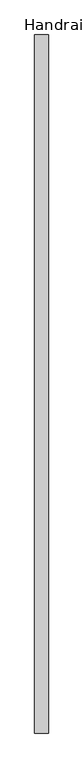
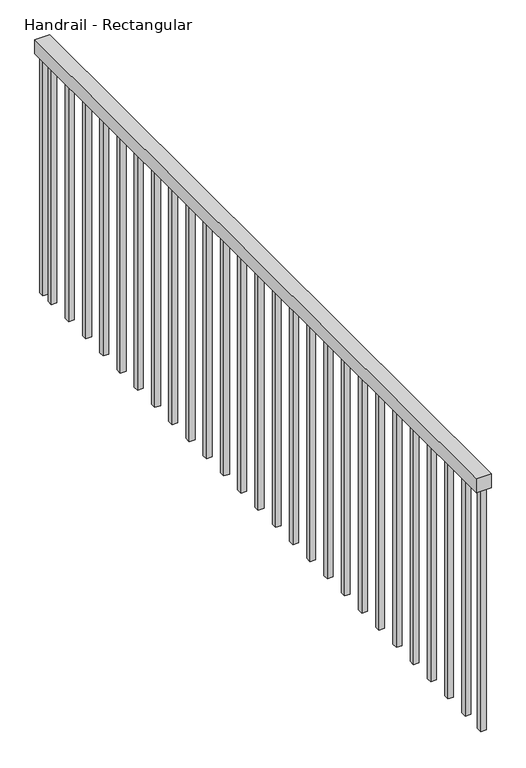
"""IFC4 building model written with IfcOpenShell, lengths in millimetres: railing geometry, Handrail - Rectangular."""

from ifc_helpers import new_model, si_unit, frame, origin, place, context, project, spatial, polyline, outline, extrude, source, transform, mapped, element, save


def handrail_rectangular_e736973f(model_context):
    return source(origin(), model_context, "Body", "SweptSolid", [
        extrude(outline(polyline([(68099.923353, 1906.657897), (68049.123353, 1906.657897), (68049.123353, 4506.657897), (68099.923353, 4506.657897), (68099.923353, 1906.657897)])), frame((0.0, 0.0, 3903.6), z_axis=(0.0, 0.0, 1.0), x_axis=(1.0, 0.0, 0.0)), (0.0, 0.0, 1.0), 50.8),
        extrude(outline(polyline([(68084.048353, 4437.132897), (68064.998353, 4437.132897), (68064.998353, 4456.182897), (68084.048353, 4456.182897), (68084.048353, 4437.132897)])), frame((0.0, 0.0, 3040.0), z_axis=(0.0, 0.0, 1.0), x_axis=(1.0, 0.0, 0.0)), (0.0, 0.0, 1.0), 863.6),
        extrude(outline(polyline([(68084.048353, 4335.532897), (68064.998353, 4335.532897), (68064.998353, 4354.582897), (68084.048353, 4354.582897), (68084.048353, 4335.532897)])), frame((0.0, 0.0, 3040.0), z_axis=(0.0, 0.0, 1.0), x_axis=(1.0, 0.0, 0.0)), (0.0, 0.0, 1.0), 863.6),
        extrude(outline(polyline([(68084.048353, 4233.932897), (68064.998353, 4233.932897), (68064.998353, 4252.982897), (68084.048353, 4252.982897), (68084.048353, 4233.932897)])), frame((0.0, 0.0, 3040.0), z_axis=(0.0, 0.0, 1.0), x_axis=(1.0, 0.0, 0.0)), (0.0, 0.0, 1.0), 863.6),
        extrude(outline(polyline([(68084.048353, 4132.332897), (68064.998353, 4132.332897), (68064.998353, 4151.382897), (68084.048353, 4151.382897), (68084.048353, 4132.332897)])), frame((0.0, 0.0, 3040.0), z_axis=(0.0, 0.0, 1.0), x_axis=(1.0, 0.0, 0.0)), (0.0, 0.0, 1.0), 863.6),
        extrude(outline(polyline([(68084.048353, 4030.732897), (68064.998353, 4030.732897), (68064.998353, 4049.782897), (68084.048353, 4049.782897), (68084.048353, 4030.732897)])), frame((0.0, 0.0, 3040.0), z_axis=(0.0, 0.0, 1.0), x_axis=(1.0, 0.0, 0.0)), (0.0, 0.0, 1.0), 863.6),
        extrude(outline(polyline([(68084.048353, 3929.132897), (68064.998353, 3929.132897), (68064.998353, 3948.182897), (68084.048353, 3948.182897), (68084.048353, 3929.132897)])), frame((0.0, 0.0, 3040.0), z_axis=(0.0, 0.0, 1.0), x_axis=(1.0, 0.0, 0.0)), (0.0, 0.0, 1.0), 863.6),
        extrude(outline(polyline([(68084.048353, 3827.532897), (68064.998353, 3827.532897), (68064.998353, 3846.582897), (68084.048353, 3846.582897), (68084.048353, 3827.532897)])), frame((0.0, 0.0, 3040.0), z_axis=(0.0, 0.0, 1.0), x_axis=(1.0, 0.0, 0.0)), (0.0, 0.0, 1.0), 863.6),
        extrude(outline(polyline([(68084.048353, 3725.932897), (68064.998353, 3725.932897), (68064.998353, 3744.982897), (68084.048353, 3744.982897), (68084.048353, 3725.932897)])), frame((0.0, 0.0, 3040.0), z_axis=(0.0, 0.0, 1.0), x_axis=(1.0, 0.0, 0.0)), (0.0, 0.0, 1.0), 863.6),
        extrude(outline(polyline([(68084.048353, 3624.332897), (68064.998353, 3624.332897), (68064.998353, 3643.382897), (68084.048353, 3643.382897), (68084.048353, 3624.332897)])), frame((0.0, 0.0, 3040.0), z_axis=(0.0, 0.0, 1.0), x_axis=(1.0, 0.0, 0.0)), (0.0, 0.0, 1.0), 863.6),
        extrude(outline(polyline([(68084.048353, 3522.732897), (68064.998353, 3522.732897), (68064.998353, 3541.782897), (68084.048353, 3541.782897), (68084.048353, 3522.732897)])), frame((0.0, 0.0, 3040.0), z_axis=(0.0, 0.0, 1.0), x_axis=(1.0, 0.0, 0.0)), (0.0, 0.0, 1.0), 863.6),
        extrude(outline(polyline([(68084.048353, 3421.132897), (68064.998353, 3421.132897), (68064.998353, 3440.182897), (68084.048353, 3440.182897), (68084.048353, 3421.132897)])), frame((0.0, 0.0, 3040.0), z_axis=(0.0, 0.0, 1.0), x_axis=(1.0, 0.0, 0.0)), (0.0, 0.0, 1.0), 863.6),
        extrude(outline(polyline([(68084.048353, 3319.532897), (68064.998353, 3319.532897), (68064.998353, 3338.582897), (68084.048353, 3338.582897), (68084.048353, 3319.532897)])), frame((0.0, 0.0, 3040.0), z_axis=(0.0, 0.0, 1.0), x_axis=(1.0, 0.0, 0.0)), (0.0, 0.0, 1.0), 863.6),
        extrude(outline(polyline([(68084.048353, 3217.932897), (68064.998353, 3217.932897), (68064.998353, 3236.982897), (68084.048353, 3236.982897), (68084.048353, 3217.932897)])), frame((0.0, 0.0, 3040.0), z_axis=(0.0, 0.0, 1.0), x_axis=(1.0, 0.0, 0.0)), (0.0, 0.0, 1.0), 863.6),
        extrude(outline(polyline([(68084.048353, 3116.332897), (68064.998353, 3116.332897), (68064.998353, 3135.382897), (68084.048353, 3135.382897), (68084.048353, 3116.332897)])), frame((0.0, 0.0, 3040.0), z_axis=(0.0, 0.0, 1.0), x_axis=(1.0, 0.0, 0.0)), (0.0, 0.0, 1.0), 863.6),
        extrude(outline(polyline([(68084.048353, 3014.732897), (68064.998353, 3014.732897), (68064.998353, 3033.782897), (68084.048353, 3033.782897), (68084.048353, 3014.732897)])), frame((0.0, 0.0, 3040.0), z_axis=(0.0, 0.0, 1.0), x_axis=(1.0, 0.0, 0.0)), (0.0, 0.0, 1.0), 863.6),
        extrude(outline(polyline([(68084.048353, 2913.132897), (68064.998353, 2913.132897), (68064.998353, 2932.182897), (68084.048353, 2932.182897), (68084.048353, 2913.132897)])), frame((0.0, 0.0, 3040.0), z_axis=(0.0, 0.0, 1.0), x_axis=(1.0, 0.0, 0.0)), (0.0, 0.0, 1.0), 863.6),
        extrude(outline(polyline([(68084.048353, 2811.532897), (68064.998353, 2811.532897), (68064.998353, 2830.582897), (68084.048353, 2830.582897), (68084.048353, 2811.532897)])), frame((0.0, 0.0, 3040.0), z_axis=(0.0, 0.0, 1.0), x_axis=(1.0, 0.0, 0.0)), (0.0, 0.0, 1.0), 863.6),
        extrude(outline(polyline([(68084.048353, 2709.932897), (68064.998353, 2709.932897), (68064.998353, 2728.982897), (68084.048353, 2728.982897), (68084.048353, 2709.932897)])), frame((0.0, 0.0, 3040.0), z_axis=(0.0, 0.0, 1.0), x_axis=(1.0, 0.0, 0.0)), (0.0, 0.0, 1.0), 863.6),
        extrude(outline(polyline([(68084.048353, 2608.332897), (68064.998353, 2608.332897), (68064.998353, 2627.382897), (68084.048353, 2627.382897), (68084.048353, 2608.332897)])), frame((0.0, 0.0, 3040.0), z_axis=(0.0, 0.0, 1.0), x_axis=(1.0, 0.0, 0.0)), (0.0, 0.0, 1.0), 863.6),
        extrude(outline(polyline([(68084.048353, 2506.732897), (68064.998353, 2506.732897), (68064.998353, 2525.782897), (68084.048353, 2525.782897), (68084.048353, 2506.732897)])), frame((0.0, 0.0, 3040.0), z_axis=(0.0, 0.0, 1.0), x_axis=(1.0, 0.0, 0.0)), (0.0, 0.0, 1.0), 863.6),
        extrude(outline(polyline([(68084.048353, 2405.132897), (68064.998353, 2405.132897), (68064.998353, 2424.182897), (68084.048353, 2424.182897), (68084.048353, 2405.132897)])), frame((0.0, 0.0, 3040.0), z_axis=(0.0, 0.0, 1.0), x_axis=(1.0, 0.0, 0.0)), (0.0, 0.0, 1.0), 863.6),
        extrude(outline(polyline([(68084.048353, 2303.532897), (68064.998353, 2303.532897), (68064.998353, 2322.582897), (68084.048353, 2322.582897), (68084.048353, 2303.532897)])), frame((0.0, 0.0, 3040.0), z_axis=(0.0, 0.0, 1.0), x_axis=(1.0, 0.0, 0.0)), (0.0, 0.0, 1.0), 863.6),
        extrude(outline(polyline([(68084.048353, 2201.932897), (68064.998353, 2201.932897), (68064.998353, 2220.982897), (68084.048353, 2220.982897), (68084.048353, 2201.932897)])), frame((0.0, 0.0, 3040.0), z_axis=(0.0, 0.0, 1.0), x_axis=(1.0, 0.0, 0.0)), (0.0, 0.0, 1.0), 863.6),
        extrude(outline(polyline([(68084.048353, 2100.332897), (68064.998353, 2100.332897), (68064.998353, 2119.382897), (68084.048353, 2119.382897), (68084.048353, 2100.332897)])), frame((0.0, 0.0, 3040.0), z_axis=(0.0, 0.0, 1.0), x_axis=(1.0, 0.0, 0.0)), (0.0, 0.0, 1.0), 863.6),
        extrude(outline(polyline([(68084.048353, 1998.732897), (68064.998353, 1998.732897), (68064.998353, 2017.782897), (68084.048353, 2017.782897), (68084.048353, 1998.732897)])), frame((0.0, 0.0, 3040.0), z_axis=(0.0, 0.0, 1.0), x_axis=(1.0, 0.0, 0.0)), (0.0, 0.0, 1.0), 863.6),
        extrude(outline(polyline([(68084.048353, 4487.607897), (68064.998353, 4487.607897), (68064.998353, 4506.657897), (68084.048353, 4506.657897), (68084.048353, 4487.607897)])), frame((0.0, 0.0, 3040.0), z_axis=(0.0, 0.0, 1.0), x_axis=(1.0, 0.0, 0.0)), (0.0, 0.0, 1.0), 863.6),
        extrude(outline(polyline([(68084.048353, 1906.657897), (68064.998353, 1906.657897), (68064.998353, 1925.707897), (68084.048353, 1925.707897), (68084.048353, 1906.657897)])), frame((0.0, 0.0, 3040.0), z_axis=(0.0, 0.0, 1.0), x_axis=(1.0, 0.0, 0.0)), (0.0, 0.0, 1.0), 863.6),
    ])


if __name__ == "__main__":
    model = new_model("IFC4")
    model_context = context("Model", 3, world=origin())
    ifc_project = project(units=[si_unit("LENGTHUNIT", "METRE", prefix="MILLI")], contexts=[model_context])
    site = spatial("IfcSite", under=ifc_project)
    building = spatial("IfcBuilding", under=site)
    placement = place(None, origin())
    handrail_rectangular_shape = handrail_rectangular_e736973f(model_context)
    element("IfcRailing", 1, ObjectType="Handrail - Rectangular", at=placement, inside=building, context=model_context, shape_type="MappedRepresentation", body=[
        mapped(handrail_rectangular_shape, transform((0.0, 0.0, 0.0), x_axis=(1.0, 0.0, 0.0), y_axis=(0.0, 1.0, 0.0), z_axis=(0.0, 0.0, 1.0))),
    ])
    save(model, "model.ifc")
